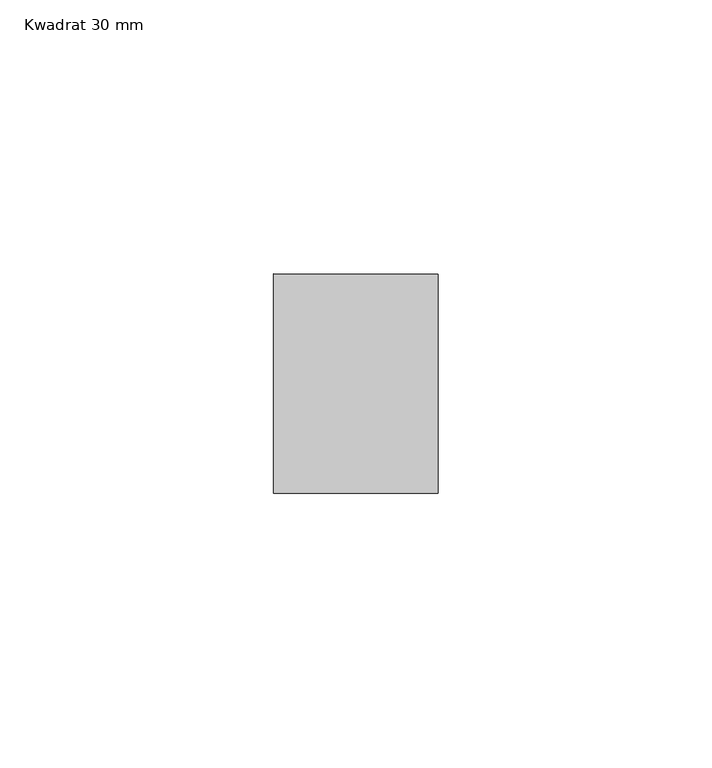
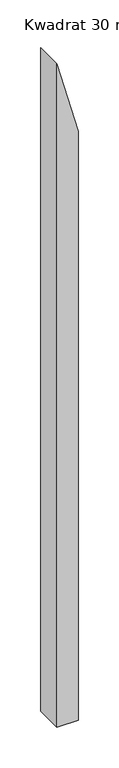
"""IFC4 building model written with IfcOpenShell, lengths in millimetres: member geometry, Kwadrat 30 mm."""

import ifcopenshell
import ifcopenshell.guid

model = None  # the IFC model being written
_history = None  # IfcOwnerHistory: only IFC2X3 demands one
_inside = {}  # id of a spatial element -> (the spatial element, [elements in it])
_under = {}  # id of a project, library or spatial element -> (it, [spatial elements below it])
_declared = {}  # id of a project -> (the project, [libraries it declares])
_typed = {}  # id of a type object -> (the type object, [elements of that type])
_made_of = {}  # id of a material, layer set ... -> (it, [elements and type objects made of it])


def new_model(schema):
    """Start an empty IFC model of exactly this schema.

    Asked for "IFC4X3", IfcOpenShell would pick the latest addendum, in which some entities
    have other attributes; the version numbers below select the first issue.
    IFC2X3 requires an IfcOwnerHistory on every rooted entity: one is made here for all.
    """
    global model, _history
    if schema == "IFC4X3":
        model = ifcopenshell.file(schema_version=(4, 3, 0, 0))
    else:
        model = ifcopenshell.file(schema=schema)
    _inside.clear()
    _under.clear()
    _declared.clear()
    _typed.clear()
    _made_of.clear()
    _history = None
    if model.schema == "IFC2X3":
        org = make("IfcOrganization", Name="unknown")
        user = make(
            "IfcPersonAndOrganization",
            ThePerson=make("IfcPerson", FamilyName="unknown"),
            TheOrganization=org,
        )
        app = make(
            "IfcApplication",
            ApplicationDeveloper=org,
            Version="unknown",
            ApplicationFullName="unknown",
            ApplicationIdentifier="unknown",
        )
        _history = make(
            "IfcOwnerHistory",
            OwningUser=user,
            OwningApplication=app,
            ChangeAction="ADDED",
            CreationDate=0,
        )
    return model


def make(cls, **values):
    """One entity of the class cls with the attributes given. An attribute that is None is left unset."""
    return model.create_entity(
        cls, **{name: value for name, value in values.items() if value is not None}
    )


def rooted(cls, **values):
    """An entity with a GlobalId (a new one), such as an element, a storey or a relation."""
    return make(cls, GlobalId=ifcopenshell.guid.new(), OwnerHistory=_history, **values)


def si_unit(unit_type, name, prefix=None):
    """IfcSIUnit, for example si_unit("LENGTHUNIT", "METRE", prefix="MILLI")."""
    return make("IfcSIUnit", UnitType=unit_type, Prefix=prefix, Name=name)


def assignment(units):
    """IfcUnitAssignment: the units of a project."""
    return None if units is None else make("IfcUnitAssignment", Units=units)


def point(xyz):
    """IfcCartesianPoint."""
    return None if xyz is None else make("IfcCartesianPoint", Coordinates=xyz)


def direction(xyz):
    """IfcDirection."""
    return None if xyz is None else make("IfcDirection", DirectionRatios=xyz)


def frame(location, z_axis=None, x_axis=None):
    """IfcAxis2Placement3D, a coordinate frame: its origin and axes. An axis left out is left unset."""
    return make(
        "IfcAxis2Placement3D",
        Location=point(location),
        Axis=direction(z_axis),
        RefDirection=direction(x_axis),
    )


def origin():
    """The frame at (0, 0, 0) with its axes left unset."""
    return frame((0.0, 0.0, 0.0))


def place(relative_to, where):
    """IfcLocalPlacement: puts the frame where relative to a parent placement (None: the world)."""
    return make(
        "IfcLocalPlacement", PlacementRelTo=relative_to, RelativePlacement=where
    )


def context(
    kind, dimensions, precision=None, world=None, true_north=None, identifier=None
):
    """IfcGeometricRepresentationContext, for example the 3D "Model" context."""
    return make(
        "IfcGeometricRepresentationContext",
        ContextIdentifier=identifier,
        ContextType=kind,
        CoordinateSpaceDimension=dimensions,
        Precision=precision,
        WorldCoordinateSystem=world,
        TrueNorth=true_north,
    )


def project(units=None, contexts=None):
    """IfcProject with its units and contexts."""
    return rooted(
        "IfcProject",
        Name="project",
        RepresentationContexts=contexts,
        UnitsInContext=assignment(units),
    )


def spatial(cls, under=None, at=None, **own):
    """A site, building, storey or space (cls), placed at a placement, below another one or the project."""
    s = rooted(cls, ObjectPlacement=at, **own)
    if under is not None:
        _under.setdefault(under.id(), (under, []))[1].append(s)
    return s


def polyline(points):
    """IfcPolyline through the points."""
    return make("IfcPolyline", Points=[point(p) for p in points])


def outline(outer, holes=None, kind="AREA"):
    """IfcArbitraryClosedProfileDef: a profile drawn as a closed curve; with holes, ...WithVoids."""
    if holes is None:
        return make("IfcArbitraryClosedProfileDef", ProfileType=kind, OuterCurve=outer)
    return make(
        "IfcArbitraryProfileDefWithVoids",
        ProfileType=kind,
        OuterCurve=outer,
        InnerCurves=holes,
    )


def extrude(swept, where, along, depth):
    """IfcExtrudedAreaSolid: the profile swept, set in the frame where, extruded along a direction by depth."""
    return make(
        "IfcExtrudedAreaSolid",
        SweptArea=swept,
        Position=where,
        ExtrudedDirection=direction(along),
        Depth=depth,
    )


def shape(context_of_items, identifier, shape_type, items):
    """IfcShapeRepresentation: the items that make up one representation, for example the "Body"."""
    return make(
        "IfcShapeRepresentation",
        ContextOfItems=context_of_items,
        RepresentationIdentifier=identifier,
        RepresentationType=shape_type,
        Items=items,
    )


def source(mapping_origin, context_of_items, identifier, shape_type, items):
    """IfcRepresentationMap: a shape defined once, which mapped items show again and again."""
    return make(
        "IfcRepresentationMap",
        MappingOrigin=mapping_origin,
        MappedRepresentation=shape(context_of_items, identifier, shape_type, items),
    )


def transform(
    local_origin,
    x_axis=None,
    y_axis=None,
    z_axis=None,
    scale=None,
    scale2=None,
    scale3=None,
    uniform=True,
):
    """IfcCartesianTransformationOperator3D, or its non-uniform kind. x_axis, y_axis, z_axis: its Axis1, 2, 3."""
    if uniform:
        return make(
            "IfcCartesianTransformationOperator3D",
            Axis1=direction(x_axis),
            Axis2=direction(y_axis),
            LocalOrigin=point(local_origin),
            Scale=scale,
            Axis3=direction(z_axis),
        )
    return make(
        "IfcCartesianTransformationOperator3DnonUniform",
        Axis1=direction(x_axis),
        Axis2=direction(y_axis),
        LocalOrigin=point(local_origin),
        Scale=scale,
        Axis3=direction(z_axis),
        Scale2=scale2,
        Scale3=scale3,
    )


def mapped(mapping_source, mapping_target):
    """IfcMappedItem: shows the shape of a source again, moved by a transform."""
    return make(
        "IfcMappedItem", MappingSource=mapping_source, MappingTarget=mapping_target
    )


def made_of(thing, what):
    """Note that an element or type object is made of a material, layer set ...; save() writes the relation."""
    if what is not None:
        _made_of.setdefault(what.id(), (what, []))[1].append(thing)
    return thing


def element(
    cls,
    number,
    at=None,
    inside=None,
    cuts=None,
    type_object=None,
    material=None,
    context=None,
    identifier="Body",
    shape_type=None,
    held_by="IfcProductDefinitionShape",
    body=None,
    shapes=None,
    **own,
):
    """One element of the class cls, such as IfcWall. Its Tag is "e" and its number.

    at: its placement. inside: the storey or other place that contains it. cuts: it is an
    opening in that element (IfcRelVoidsElement). A single representation is given by context,
    identifier, shape_type and body (its items); several are given by shapes. held_by: the class
    of the entity that holds the representations. save() writes the other relations.
    """
    e = rooted(cls, Tag="e%d" % number, ObjectPlacement=at, **own)
    if body is not None:
        shapes = [shape(context, identifier, shape_type, body)]
    if shapes is not None:
        e.Representation = make(held_by, Representations=shapes)
    if inside is not None:
        _inside.setdefault(inside.id(), (inside, []))[1].append(e)
    if cuts is not None:
        rooted(
            "IfcRelVoidsElement", RelatingBuildingElement=cuts, RelatedOpeningElement=e
        )
    if type_object is not None:
        _typed.setdefault(type_object.id(), (type_object, []))[1].append(e)
    return made_of(e, material)


def aggregate(whole, parts):
    """IfcRelAggregates: a whole, such as a stair, and the parts it consists of."""
    return rooted("IfcRelAggregates", RelatingObject=whole, RelatedObjects=parts)


def save(model, path):
    """Write the relations noted so far, then the file.

    IfcRelAggregates (storeys below a building ...), IfcRelContainedInSpatialStructure (elements
    in a storey), IfcRelDefinesByType, IfcRelAssociatesMaterial and IfcRelDeclares: one each for
    every whole, place, type object, material and project.
    """
    for whole, parts in _under.values():
        aggregate(whole, parts)
    for where, things in _inside.values():
        rooted(
            "IfcRelContainedInSpatialStructure",
            RelatedElements=things,
            RelatingStructure=where,
        )
    for kind, things in _typed.values():
        rooted("IfcRelDefinesByType", RelatedObjects=things, RelatingType=kind)
    for what, things in _made_of.values():
        rooted("IfcRelAssociatesMaterial", RelatedObjects=things, RelatingMaterial=what)
    for by, libraries in _declared.values():
        rooted("IfcRelDeclares", RelatingContext=by, RelatedDefinitions=libraries)
    model.write(path)


def kwadrat_30_mm_e217f175(model_context):
    return source(origin(), model_context, "Body", "SweptSolid", [
        extrude(outline(polyline([(-85.9807621, 15.0), (25.9807621, -15.0), (-970.6787099, -15.0), (-970.6787099, 15.0), (-85.9807621, 15.0)])), frame((0.0, -20.0, 0.0), z_axis=(0.0, 1.0, 0.0), x_axis=(0.0, 0.0, 1.0)), (0.0, 0.0, 1.0), 40.0),
    ])


if __name__ == "__main__":
    model = new_model("IFC4")
    model_context = context("Model", 3, world=origin())
    ifc_project = project(units=[si_unit("LENGTHUNIT", "METRE", prefix="MILLI")], contexts=[model_context])
    site = spatial("IfcSite", under=ifc_project)
    building = spatial("IfcBuilding", under=site)
    placement = place(None, origin())
    kwadrat_30_mm_shape = kwadrat_30_mm_e217f175(model_context)
    element("IfcMember", 1, ObjectType="Kwadrat 30 mm", at=placement, inside=building, context=model_context, shape_type="MappedRepresentation", body=[
        mapped(kwadrat_30_mm_shape, transform((0.0, 0.0, 0.0), x_axis=(1.0, 0.0, 0.0), y_axis=(0.0, 1.0, 0.0), z_axis=(0.0, 0.0, 1.0))),
    ])
    save(model, "model.ifc")
